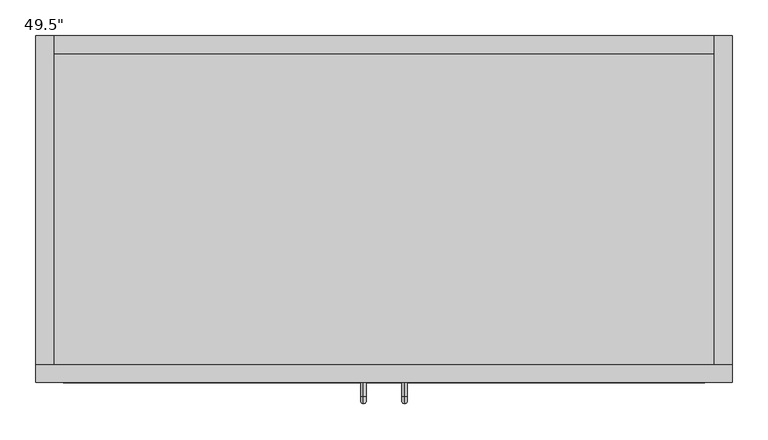
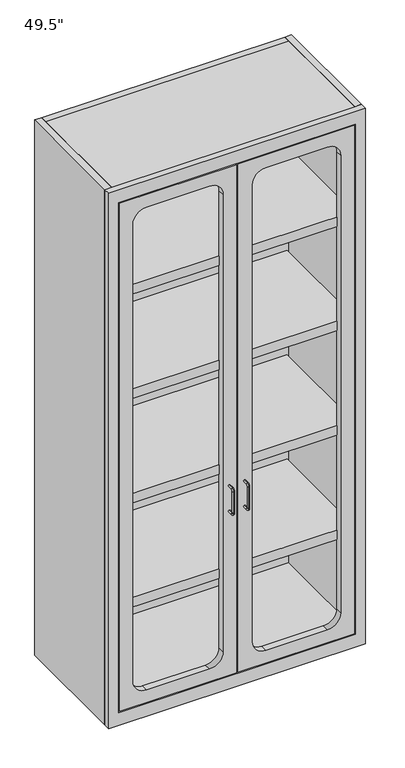
"""IFC4 building model written with IfcOpenShell, lengths in millimetres: proxy geometry."""

from ifc_helpers import new_model, si_unit, point, frame, frame_2d, origin, origin_with_axes, place, context, project, spatial, polyline, circle_curve, ellipse_curve, trimmed, segment, composite_curve, outline, extrude, source, transform, mapped, element, save
from ifc_brep_helpers import plane_surface, cylinder_surface, revolved_surface, advanced_brep


def proxy_3e2f9f5a(model_context):
    return source(origin(), model_context, "Body", "SolidModel", [
        extrude(outline(polyline([(917.5673951, 431.8), (917.5673951, 0.0), (0.0, 0.0), (0.0, 431.8), (917.5673951, 431.8)])), frame((0.0, 0.0, 2108.2), z_axis=(0.0, 0.0, 1.0), x_axis=(1.0, 0.0, 0.0)), (0.0, 0.0, 1.0), 25.4),
        extrude(outline(polyline([(917.5673951, 431.8), (917.5673951, 0.0), (0.0, 0.0), (0.0, 431.8), (917.5673951, 431.8)])), frame((0.0, 0.0, 28.575), z_axis=(0.0, 0.0, 1.0), x_axis=(1.0, 0.0, 0.0)), (0.0, 0.0, 1.0), 25.4),
        extrude(outline(polyline([(917.5673951, 431.8), (0.0, 431.8), (0.0, 457.2), (917.5673951, 457.2), (917.5673951, 431.8)])), origin_with_axes(), (0.0, 0.0, 1.0), 2133.6),
        extrude(outline(polyline([(-25.4, 0.0), (-25.4, 457.2), (0.0, 457.2), (0.0, 0.0), (-25.4, 0.0)])), origin_with_axes(), (0.0, 0.0, 1.0), 2133.6),
        extrude(outline(polyline([(942.9673951, 457.2), (942.9673951, 0.0), (917.5673951, 0.0), (917.5673951, 457.2), (942.9673951, 457.2)])), origin_with_axes(), (0.0, 0.0, 1.0), 2133.6),
        advanced_brep(
        [(487.359965, -25.4, 813.435), (487.359965, -25.4, 805.815), (487.359965, -44.45, 813.435), (487.359965, -44.45, 805.815), (487.359965, -46.99, 803.275), (487.359965, -54.61, 803.275), (487.359965, -54.61, 714.375), (487.359965, -46.99, 714.375), (487.359965, -44.45, 711.835), (487.359965, -44.45, 704.215), (487.359965, -25.4, 704.215), (487.359965, -25.4, 711.835)],
        [
            (0, 1, circle_curve(frame((487.359965, -25.4, 809.625), z_axis=(0.0, 1.0, 0.0), x_axis=(0.0, 0.0, -1.0)), 3.81)),
            (1, 0, circle_curve(frame((487.359965, -25.4, 809.625), z_axis=(0.0, 1.0, 0.0), x_axis=(0.0, 0.0, -1.0)), 3.81)),
            (0, 2),
            (2, 3, circle_curve(frame((487.359965, -44.45, 809.625), z_axis=(0.0, 1.0, 0.0), x_axis=(0.0, 0.0, -1.0)), 3.81)),
            (3, 1),
            (3, 2, circle_curve(frame((487.359965, -44.45, 809.625), z_axis=(0.0, 1.0, 0.0), x_axis=(0.0, 0.0, -1.0)), 3.81)),
            (4, 3, circle_curve(frame((487.359965, -44.45, 803.275), z_axis=(-1.0, 0.0, 0.0), x_axis=(0.0, 0.0, 1.0)), 2.54)),
            (2, 5, circle_curve(frame((487.359965, -44.45, 803.275), z_axis=(1.0, 0.0, 0.0), x_axis=(0.0, 0.0, 1.0)), 10.16)),
            (5, 4, circle_curve(frame((487.359965, -50.8, 803.275), z_axis=(0.0, 0.0, 1.0), x_axis=(0.0, 1.0, 0.0)), 3.81)),
            (4, 5, circle_curve(frame((487.359965, -50.8, 803.275), z_axis=(0.0, 0.0, 1.0), x_axis=(0.0, 1.0, 0.0)), 3.81)),
            (5, 6),
            (6, 7, circle_curve(frame((487.359965, -50.8, 714.375), z_axis=(0.0, 0.0, 1.0), x_axis=(0.0, 1.0, 0.0)), 3.81)),
            (7, 4),
            (7, 6, circle_curve(frame((487.359965, -50.8, 714.375), z_axis=(0.0, 0.0, 1.0), x_axis=(0.0, 1.0, 0.0)), 3.81)),
            (8, 7, circle_curve(frame((487.359965, -44.45, 714.375), z_axis=(-1.0, 0.0, 0.0), x_axis=(0.0, -1.0, 0.0)), 2.54)),
            (6, 9, circle_curve(frame((487.359965, -44.45, 714.375), z_axis=(1.0, 0.0, 0.0), x_axis=(0.0, -1.0, 0.0)), 10.16)),
            (9, 8, circle_curve(frame((487.359965, -44.45, 708.025), z_axis=(0.0, -1.0, 0.0), x_axis=(0.0, 0.0, 1.0)), 3.81)),
            (8, 9, circle_curve(frame((487.359965, -44.45, 708.025), z_axis=(0.0, -1.0, 0.0), x_axis=(0.0, 0.0, 1.0)), 3.81)),
            (10, 11, circle_curve(frame((487.359965, -25.4, 708.025), z_axis=(0.0, 1.0, 0.0), x_axis=(0.0, 0.0, 1.0)), 3.81)),
            (11, 10, circle_curve(frame((487.359965, -25.4, 708.025), z_axis=(0.0, 1.0, 0.0), x_axis=(0.0, 0.0, 1.0)), 3.81)),
            (9, 10),
            (11, 8),
        ],
        [
            plane_surface(frame((487.359965, -25.4, 809.625), z_axis=(0.0, 1.0, 0.0), x_axis=(1.0, 0.0, 0.0))),
            cylinder_surface(frame((487.359965, -25.4, 809.625), z_axis=(0.0, 1.0, 0.0), x_axis=(0.0, 0.0, -1.0)), 3.81),
            revolved_surface(trimmed(ellipse_curve(frame((487.359965, -44.45, 809.625), z_axis=(0.0, 1.0, 0.0), x_axis=(0.0, 0.0, -1.0)), 3.81, 3.81), [point((487.359965, -44.45, 813.435))], [point((487.359965, -44.45, 805.815))], True, "CARTESIAN"), (487.359965, -44.45, 803.275), (1.0, 0.0, 0.0)),
            revolved_surface(trimmed(ellipse_curve(frame((487.359965, -44.45, 809.625), z_axis=(0.0, 1.0, 0.0), x_axis=(0.0, 0.0, -1.0)), 3.81, 3.81), [point((487.359965, -44.45, 805.815))], [point((487.359965, -44.45, 813.435))], True, "CARTESIAN"), (487.359965, -44.45, 803.275), (1.0, 0.0, 0.0)),
            cylinder_surface(frame((487.359965, -50.8, 803.275), z_axis=(0.0, 0.0, 1.0), x_axis=(0.0, 1.0, 0.0)), 3.81),
            revolved_surface(trimmed(ellipse_curve(frame((487.359965, -50.8, 714.375), z_axis=(0.0, 0.0, 1.0), x_axis=(0.0, 1.0, 0.0)), 3.81, 3.81), [point((487.359965, -54.61, 714.375))], [point((487.359965, -46.99, 714.375))], True, "CARTESIAN"), (487.359965, -44.45, 714.375), (1.0, 0.0, 0.0)),
            revolved_surface(trimmed(ellipse_curve(frame((487.359965, -50.8, 714.375), z_axis=(0.0, 0.0, 1.0), x_axis=(0.0, 1.0, 0.0)), 3.81, 3.81), [point((487.359965, -46.99, 714.375))], [point((487.359965, -54.61, 714.375))], True, "CARTESIAN"), (487.359965, -44.45, 714.375), (1.0, 0.0, 0.0)),
            plane_surface(frame((487.359965, -25.4, 708.025), z_axis=(0.0, 1.0, 0.0), x_axis=(1.0, 0.0, 0.0))),
            cylinder_surface(frame((487.359965, -44.45, 708.025), z_axis=(0.0, -1.0, 0.0), x_axis=(0.0, 0.0, 1.0)), 3.81),
        ],
        [
            (0, [[1, 2]]),
            (1, [[-1, 3, 4, 5]]),
            (1, [[-2, -5, 6, -3]]),
            (2, [[7, -4, 8, 9]]),
            (3, [[-8, -6, -7, 10]]),
            (4, [[-9, 11, 12, 13]]),
            (4, [[-10, -13, 14, -11]]),
            (5, [[15, -12, 16, 17]]),
            (6, [[-16, -14, -15, 18]]),
            (7, [[19, 20]]),
            (8, [[-17, 21, -20, 22]]),
            (8, [[-18, -22, -19, -21]]),
        ],
    ),
        advanced_brep(
        [(430.20743, -25.4, 813.435), (430.20743, -25.4, 805.815), (430.20743, -44.45, 813.435), (430.20743, -44.45, 805.815), (430.20743, -46.99, 803.275), (430.20743, -54.61, 803.275), (430.20743, -54.61, 714.375), (430.20743, -46.99, 714.375), (430.20743, -44.45, 711.835), (430.20743, -44.45, 704.215), (430.20743, -25.4, 704.215), (430.20743, -25.4, 711.835)],
        [
            (0, 1, circle_curve(frame((430.20743, -25.4, 809.625), z_axis=(0.0, 1.0, 0.0), x_axis=(0.0, 0.0, -1.0)), 3.81)),
            (1, 0, circle_curve(frame((430.20743, -25.4, 809.625), z_axis=(0.0, 1.0, 0.0), x_axis=(0.0, 0.0, -1.0)), 3.81)),
            (0, 2),
            (2, 3, circle_curve(frame((430.20743, -44.45, 809.625), z_axis=(0.0, 1.0, 0.0), x_axis=(0.0, 0.0, -1.0)), 3.81)),
            (3, 1),
            (3, 2, circle_curve(frame((430.20743, -44.45, 809.625), z_axis=(0.0, 1.0, 0.0), x_axis=(0.0, 0.0, -1.0)), 3.81)),
            (4, 3, circle_curve(frame((430.20743, -44.45, 803.275), z_axis=(-1.0, 0.0, 0.0), x_axis=(0.0, 0.0, 1.0)), 2.54)),
            (2, 5, circle_curve(frame((430.20743, -44.45, 803.275), z_axis=(1.0, 0.0, 0.0), x_axis=(0.0, 0.0, 1.0)), 10.16)),
            (5, 4, circle_curve(frame((430.20743, -50.8, 803.275), z_axis=(0.0, 0.0, 1.0), x_axis=(0.0, 1.0, 0.0)), 3.81)),
            (4, 5, circle_curve(frame((430.20743, -50.8, 803.275), z_axis=(0.0, 0.0, 1.0), x_axis=(0.0, 1.0, 0.0)), 3.81)),
            (5, 6),
            (6, 7, circle_curve(frame((430.20743, -50.8, 714.375), z_axis=(0.0, 0.0, 1.0), x_axis=(0.0, 1.0, 0.0)), 3.81)),
            (7, 4),
            (7, 6, circle_curve(frame((430.20743, -50.8, 714.375), z_axis=(0.0, 0.0, 1.0), x_axis=(0.0, 1.0, 0.0)), 3.81)),
            (8, 7, circle_curve(frame((430.20743, -44.45, 714.375), z_axis=(-1.0, 0.0, 0.0), x_axis=(0.0, -1.0, 0.0)), 2.54)),
            (6, 9, circle_curve(frame((430.20743, -44.45, 714.375), z_axis=(1.0, 0.0, 0.0), x_axis=(0.0, -1.0, 0.0)), 10.16)),
            (9, 8, circle_curve(frame((430.20743, -44.45, 708.025), z_axis=(0.0, -1.0, 0.0), x_axis=(0.0, 0.0, 1.0)), 3.81)),
            (8, 9, circle_curve(frame((430.20743, -44.45, 708.025), z_axis=(0.0, -1.0, 0.0), x_axis=(0.0, 0.0, 1.0)), 3.81)),
            (10, 11, circle_curve(frame((430.20743, -25.4, 708.025), z_axis=(0.0, 1.0, 0.0), x_axis=(0.0, 0.0, 1.0)), 3.81)),
            (11, 10, circle_curve(frame((430.20743, -25.4, 708.025), z_axis=(0.0, 1.0, 0.0), x_axis=(0.0, 0.0, 1.0)), 3.81)),
            (9, 10),
            (11, 8),
        ],
        [
            plane_surface(frame((430.20743, -25.4, 809.625), z_axis=(0.0, 1.0, 0.0), x_axis=(1.0, 0.0, 0.0))),
            cylinder_surface(frame((430.20743, -25.4, 809.625), z_axis=(0.0, 1.0, 0.0), x_axis=(0.0, 0.0, -1.0)), 3.81),
            revolved_surface(trimmed(ellipse_curve(frame((430.20743, -44.45, 809.625), z_axis=(0.0, 1.0, 0.0), x_axis=(0.0, 0.0, -1.0)), 3.81, 3.81), [point((430.20743, -44.45, 813.435))], [point((430.20743, -44.45, 805.815))], True, "CARTESIAN"), (430.20743, -44.45, 803.275), (1.0, 0.0, 0.0)),
            revolved_surface(trimmed(ellipse_curve(frame((430.20743, -44.45, 809.625), z_axis=(0.0, 1.0, 0.0), x_axis=(0.0, 0.0, -1.0)), 3.81, 3.81), [point((430.20743, -44.45, 805.815))], [point((430.20743, -44.45, 813.435))], True, "CARTESIAN"), (430.20743, -44.45, 803.275), (1.0, 0.0, 0.0)),
            cylinder_surface(frame((430.20743, -50.8, 803.275), z_axis=(0.0, 0.0, 1.0), x_axis=(0.0, 1.0, 0.0)), 3.81),
            revolved_surface(trimmed(ellipse_curve(frame((430.20743, -50.8, 714.375), z_axis=(0.0, 0.0, 1.0), x_axis=(0.0, 1.0, 0.0)), 3.81, 3.81), [point((430.20743, -54.61, 714.375))], [point((430.20743, -46.99, 714.375))], True, "CARTESIAN"), (430.20743, -44.45, 714.375), (1.0, 0.0, 0.0)),
            revolved_surface(trimmed(ellipse_curve(frame((430.20743, -50.8, 714.375), z_axis=(0.0, 0.0, 1.0), x_axis=(0.0, 1.0, 0.0)), 3.81, 3.81), [point((430.20743, -46.99, 714.375))], [point((430.20743, -54.61, 714.375))], True, "CARTESIAN"), (430.20743, -44.45, 714.375), (1.0, 0.0, 0.0)),
            plane_surface(frame((430.20743, -25.4, 708.025), z_axis=(0.0, 1.0, 0.0), x_axis=(1.0, 0.0, 0.0))),
            cylinder_surface(frame((430.20743, -44.45, 708.025), z_axis=(0.0, -1.0, 0.0), x_axis=(0.0, 0.0, 1.0)), 3.81),
        ],
        [
            (0, [[1, 2]]),
            (1, [[-1, 3, 4, 5]]),
            (1, [[-2, -5, 6, -3]]),
            (2, [[7, -4, 8, 9]]),
            (3, [[-8, -6, -7, 10]]),
            (4, [[-9, 11, 12, 13]]),
            (4, [[-10, -13, 14, -11]]),
            (5, [[15, -12, 16, 17]]),
            (6, [[-16, -14, -15, 18]]),
            (7, [[19, 20]]),
            (8, [[-17, 21, -20, 22]]),
            (8, [[-18, -22, -19, -21]]),
        ],
    ),
        extrude(outline(polyline([(53.975, 15.875), (53.975, 457.1911276), (2079.625, 457.1911276), (2079.625, 15.875), (53.975, 15.875)]), holes=[composite_curve([segment(polyline([(155.575, 66.675), (1978.025, 66.675)]), True, "CONTINUOUS"), segment(trimmed(circle_curve(frame_2d((1978.025, 117.475)), 50.8), [point((1978.025, 66.675))], [point((2028.825, 117.475))], True, "CARTESIAN"), True, "CONTINUOUS"), segment(polyline([(2028.825, 117.475), (2028.825, 355.5911276)]), True, "CONTINUOUS"), segment(trimmed(circle_curve(frame_2d((1978.025, 355.5911276)), 50.8), [point((2028.825, 355.5911276))], [point((1978.025, 406.3911276))], True, "CARTESIAN"), True, "CONTINUOUS"), segment(polyline([(1978.025, 406.3911276), (155.575, 406.3911276)]), True, "CONTINUOUS"), segment(trimmed(circle_curve(frame_2d((155.575, 355.5911276)), 50.8), [point((155.575, 406.3911276))], [point((104.775, 355.5911276))], True, "CARTESIAN"), True, "CONTINUOUS"), segment(polyline([(104.775, 355.5911276), (104.775, 117.475)]), True, "CONTINUOUS"), segment(trimmed(circle_curve(frame_2d((155.575, 117.475)), 50.8), [point((104.775, 117.475))], [point((155.575, 66.675))], True, "CARTESIAN"), True, "CONTINUOUS")], self_intersect=False)]), frame((0.0, -25.4, 0.0), z_axis=(0.0, 1.0, 0.0), x_axis=(0.0, 0.0, 1.0)), (0.0, 0.0, 1.0), 25.4),
        extrude(outline(polyline([(2079.625, 901.7), (2079.625, 460.3661276), (53.975, 460.3661276), (53.975, 901.7), (2079.625, 901.7)]), holes=[composite_curve([segment(polyline([(155.575, 517.5211975), (1978.025, 517.5211975)]), True, "CONTINUOUS"), segment(trimmed(circle_curve(frame_2d((1978.025, 568.3211975)), 50.8), [point((1978.025, 517.5211975))], [point((2028.825, 568.3211975))], True, "CARTESIAN"), True, "CONTINUOUS"), segment(polyline([(2028.825, 568.3211975), (2028.825, 800.1)]), True, "CONTINUOUS"), segment(trimmed(circle_curve(frame_2d((1978.025, 800.1)), 50.8), [point((2028.825, 800.1))], [point((1978.025, 850.9))], True, "CARTESIAN"), True, "CONTINUOUS"), segment(polyline([(1978.025, 850.9), (155.575, 850.9)]), True, "CONTINUOUS"), segment(trimmed(circle_curve(frame_2d((155.575, 800.1)), 50.8), [point((155.575, 850.9))], [point((104.775, 800.1))], True, "CARTESIAN"), True, "CONTINUOUS"), segment(polyline([(104.775, 800.1), (104.775, 568.3211975)]), True, "CONTINUOUS"), segment(trimmed(circle_curve(frame_2d((155.575, 568.3211975)), 50.8), [point((104.775, 568.3211975))], [point((155.575, 517.5211975))], True, "CARTESIAN"), True, "CONTINUOUS")], self_intersect=False)]), frame((0.0, -25.4, 0.0), z_axis=(0.0, 1.0, 0.0), x_axis=(0.0, 0.0, 1.0)), (0.0, 0.0, 1.0), 25.4),
        extrude(outline(polyline([(2133.6, 942.9673951), (2133.6, -25.4), (0.0, -25.4), (0.0, 942.9673951), (2133.6, 942.9673951)]), holes=[polyline([(2082.8, 904.8673951), (50.8, 904.8673951), (50.8, 12.7), (2082.8, 12.7), (2082.8, 904.8673951)])]), frame((0.0, -25.4, 0.0), z_axis=(0.0, 1.0, 0.0), x_axis=(0.0, 0.0, 1.0)), (0.0, 0.0, 1.0), 25.4),
        extrude(outline(polyline([(911.225, 0.0), (3.175, 0.0), (3.175, 431.8), (911.225, 431.8), (911.225, 0.0)])), frame((0.0, 0.0, 1263.65), z_axis=(0.0, 0.0, 1.0), x_axis=(1.0, 0.0, 0.0)), (0.0, 0.0, 1.0), 38.1),
        extrude(outline(polyline([(911.225, 0.0), (3.175, 0.0), (3.175, 431.8), (911.225, 431.8), (911.225, 0.0)])), frame((0.0, 0.0, 847.725), z_axis=(0.0, 0.0, 1.0), x_axis=(1.0, 0.0, 0.0)), (0.0, 0.0, 1.0), 38.1),
        extrude(outline(polyline([(911.225, 0.0), (3.175, 0.0), (3.175, 431.8), (911.225, 431.8), (911.225, 0.0)])), frame((0.0, 0.0, 431.8), z_axis=(0.0, 0.0, 1.0), x_axis=(1.0, 0.0, 0.0)), (0.0, 0.0, 1.0), 38.1),
        extrude(outline(polyline([(911.225, 0.0), (3.175, 0.0), (3.175, 431.8), (911.225, 431.8), (911.225, 0.0)])), frame((0.0, 0.0, 1679.575), z_axis=(0.0, 0.0, 1.0), x_axis=(1.0, 0.0, 0.0)), (0.0, 0.0, 1.0), 38.1),
    ])


if __name__ == "__main__":
    model = new_model("IFC4")
    model_context = context("Model", 3, world=origin())
    ifc_project = project(units=[si_unit("LENGTHUNIT", "METRE", prefix="MILLI")], contexts=[model_context])
    site = spatial("IfcSite", under=ifc_project)
    building = spatial("IfcBuilding", under=site)
    placement = place(None, origin())
    proxy_shape = proxy_3e2f9f5a(model_context)
    element("IfcBuildingElementProxy", 1, Name="49.5\"", ObjectType="49.5\"", at=placement, inside=building, context=model_context, shape_type="MappedRepresentation", body=[
        mapped(proxy_shape, transform((0.0, 0.0, 0.0), x_axis=(1.0, 0.0, 0.0), y_axis=(0.0, 1.0, 0.0), z_axis=(0.0, 0.0, 1.0))),
    ])
    save(model, "model.ifc")
